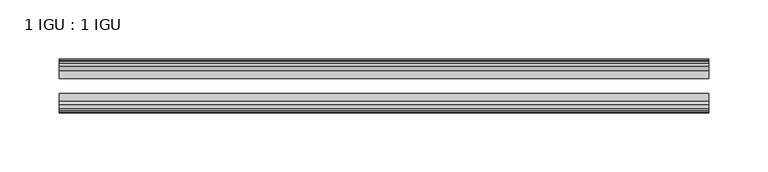
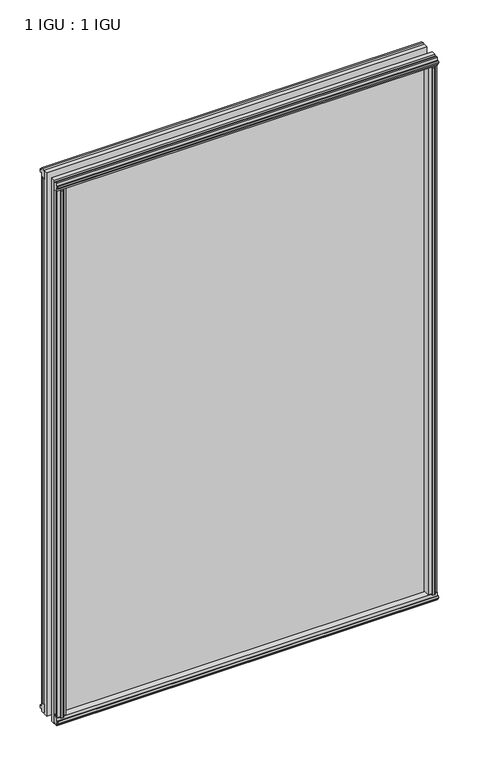
"""IFC4 building model written with IfcOpenShell, lengths in millimetres: plate geometry, 1 IGU : 1 IGU."""

from ifc_helpers import new_model, si_unit, frame, origin, origin_with_axes, place, context, project, spatial, polyline, outline, extrude, source, transform, mapped, element, save


def plate_1_igu_1_igu_4170a780(model_context):
    return source(origin(), model_context, "Body", "SweptSolid", [
        extrude(outline(polyline([(258.7642137, -19.5460937), (260.8694908, -13.1960937), (266.0766852, -13.1960937), (266.4576852, -10.8158968), (265.0421562, -11.27583), (265.0421562, -10.4746158), (267.2196852, -9.7670937), (269.3972143, -10.4746158), (269.3972143, -11.27583), (267.9816852, -10.8158968), (268.3626852, -13.1960937), (272.8076852, -13.1960937), (272.8076852, -16.1419073), (270.5946077, -19.5460937), (258.7642137, -19.5460937)])), origin_with_axes(), (0.0, 0.0, 1.0), 800.1),
        extrude(outline(polyline([(-258.7642137, -19.5460937), (-270.5946077, -19.5460937), (-272.8076852, -16.1419073), (-272.8076852, -13.1960937), (-268.3626852, -13.1960937), (-267.9816852, -10.8158968), (-269.3972143, -11.27583), (-269.3972143, -10.4746158), (-267.2196852, -9.7670937), (-265.0421562, -10.4746158), (-265.0421562, -11.27583), (-266.4576852, -10.8158968), (-266.0766852, -13.1960937), (-260.8694908, -13.1960937), (-258.7642137, -19.5460937)])), origin_with_axes(), (0.0, 0.0, 1.0), 800.1),
        extrude(outline(polyline([(-16.1419073, -12.4576852), (-19.5460937, -10.2446077), (-19.5460937, 1.5857863), (-13.1960937, -0.5194908), (-13.1960937, -5.7266852), (-10.8158968, -6.1076852), (-11.27583, -4.6921562), (-10.4746158, -4.6921562), (-9.7670937, -6.8696852), (-10.4746158, -9.0472143), (-11.27583, -9.0472143), (-10.8158968, -7.6316852), (-13.1960937, -8.0126852), (-13.1960937, -12.4576852), (-16.1419073, -12.4576852)])), frame((-273.05, 0.0, 0.0), z_axis=(1.0, 0.0, 0.0), x_axis=(0.0, 1.0, 0.0)), (0.0, 0.0, 1.0), 546.1),
        extrude(outline(polyline([(-48.3502802, -11.938), (-51.2960937, -11.938), (-51.2960937, -7.493), (-53.6762907, -7.112), (-53.2163575, -8.5275291), (-54.0175717, -8.5275291), (-54.7250937, -6.35), (-54.0175717, -4.172471), (-53.2163575, -4.172471), (-53.6762907, -5.588), (-51.2960937, -5.207), (-51.2960937, 0.0001944), (-44.9460937, 2.1054715), (-44.9460937, -9.7249225), (-48.3502802, -11.938)])), frame((-273.05, 0.0, 0.0), z_axis=(1.0, 0.0, 0.0), x_axis=(0.0, 1.0, 0.0)), (0.0, 0.0, 1.0), 546.1),
        extrude(outline(polyline([(-16.1028367, 812.5576852), (-13.1960937, 812.5576852), (-13.1960937, 808.1126852), (-10.8158968, 807.7316852), (-11.27583, 809.1472143), (-10.4746158, 809.1472143), (-9.7670937, 806.9696852), (-10.4746158, 804.7921562), (-11.27583, 804.7921562), (-10.8158968, 806.2076852), (-13.1960937, 805.8266852), (-13.1960937, 800.5940908), (-19.5460937, 798.4888137), (-19.5460937, 810.3192077), (-16.1028367, 812.5576852)])), frame((-273.05, 0.0, 0.0), z_axis=(1.0, 0.0, 0.0), x_axis=(0.0, 1.0, 0.0)), (0.0, 0.0, 1.0), 546.1),
        extrude(outline(polyline([(-48.3893508, 812.0126), (-44.9460937, 809.7741225), (-44.9460937, 797.9437285), (-51.2960937, 800.0490056), (-51.2960937, 805.2816), (-53.6762907, 805.6626), (-53.2163575, 804.2470709), (-54.0175717, 804.2470709), (-54.7250938, 806.4246), (-54.0175717, 808.602129), (-53.2163575, 808.602129), (-53.6762907, 807.1866), (-51.2960937, 807.5676), (-51.2960937, 812.0126), (-48.3893508, 812.0126)])), frame((-273.05, 0.0, 0.0), z_axis=(1.0, 0.0, 0.0), x_axis=(0.0, 1.0, 0.0)), (0.0, 0.0, 1.0), 546.1),
        extrude(outline(polyline([(-258.2445285, -44.9460938), (-260.3498056, -51.2960938), (-265.557, -51.2960938), (-265.938, -53.6762907), (-264.522471, -53.2163575), (-264.522471, -54.0175717), (-266.7, -54.7250938), (-268.8775291, -54.0175717), (-268.8775291, -53.2163575), (-267.462, -53.6762907), (-267.843, -51.2960938), (-272.288, -51.2960938), (-272.288, -48.3502802), (-270.0749225, -44.9460938), (-258.2445285, -44.9460938)])), origin_with_axes(), (0.0, 0.0, 1.0), 800.1),
        extrude(outline(polyline([(258.2445285, -44.9460938), (270.0749225, -44.9460938), (272.288, -48.3502802), (272.288, -51.2960938), (267.843, -51.2960938), (267.462, -53.6762907), (268.8775291, -53.2163575), (268.8775291, -54.0175717), (266.7, -54.7250938), (264.522471, -54.0175717), (264.522471, -53.2163575), (265.938, -53.6762907), (265.557, -51.2960938), (260.3498056, -51.2960938), (258.2445285, -44.9460938)])), origin_with_axes(), (0.0, 0.0, 1.0), 800.1),
        extrude(outline(polyline([(273.05, -19.5460937), (273.05, -25.8337453), (-273.05, -25.8337453), (-273.05, -19.5460937), (273.05, -19.5460937)])), frame((0.0, 0.0, -12.7), z_axis=(0.0, 0.0, 1.0), x_axis=(1.0, 0.0, 0.0)), (0.0, 0.0, 1.0), 825.4872998),
        extrude(outline(polyline([(-273.05, -44.9460937), (-273.05, -38.6468938), (273.05, -38.6468938), (273.05, -44.9460937), (-273.05, -44.9460937)])), frame((0.0, 0.0, -12.7), z_axis=(0.0, 0.0, 1.0), x_axis=(1.0, 0.0, 0.0)), (0.0, 0.0, 1.0), 825.4872998),
    ])


if __name__ == "__main__":
    model = new_model("IFC4")
    model_context = context("Model", 3, world=origin())
    ifc_project = project(units=[si_unit("LENGTHUNIT", "METRE", prefix="MILLI")], contexts=[model_context])
    site = spatial("IfcSite", under=ifc_project)
    building = spatial("IfcBuilding", under=site)
    placement = place(None, origin())
    plate_1_igu_1_igu_shape = plate_1_igu_1_igu_4170a780(model_context)
    element("IfcPlate", 1, ObjectType="1 IGU : 1 IGU", at=placement, inside=building, context=model_context, shape_type="MappedRepresentation", body=[
        mapped(plate_1_igu_1_igu_shape, transform((0.0, 0.0, 0.0), x_axis=(1.0, 0.0, 0.0), y_axis=(0.0, 1.0, 0.0), z_axis=(0.0, 0.0, 1.0))),
    ])
    save(model, "model.ifc")
